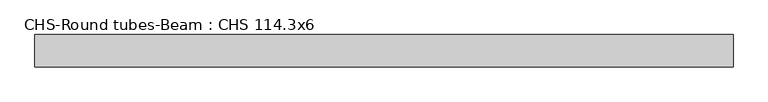
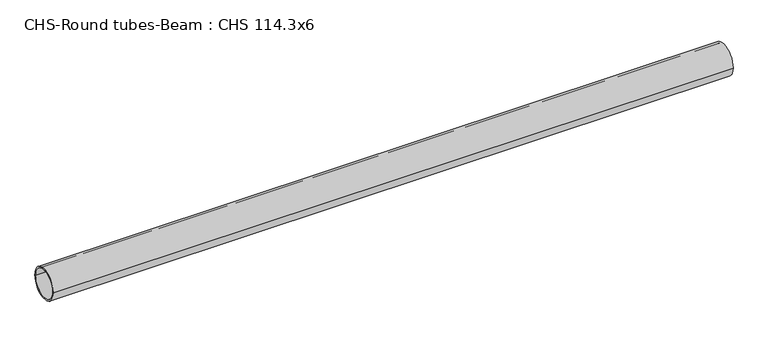
"""IFC4 building model written with IfcOpenShell, lengths in millimetres: beam geometry, CHS-Round tubes-Beam : CHS 114.3x6."""

from ifc_helpers import new_model, si_unit, point, frame, origin, origin_2d, place, context, project, spatial, circle_curve, trimmed, segment, composite_curve, outline, extrude, source, transform, mapped, element, save


def chs_round_tubes_beam_chs_114_3x6_374376e8(model_context):
    return source(origin(), model_context, "Body", "SweptSolid", [
        extrude(outline(composite_curve([segment(trimmed(circle_curve(origin_2d(), 57.15), [point((57.15, 0.0))], [point((-57.15, 0.0))], False, "CARTESIAN"), True, "CONTINUOUS"), segment(trimmed(circle_curve(origin_2d(), 57.15), [point((-57.15, 0.0))], [point((57.15, 0.0))], False, "CARTESIAN"), True, "CONTINUOUS")], self_intersect=False), holes=[composite_curve([segment(trimmed(circle_curve(origin_2d(), 51.15), [point((51.15, 0.0))], [point((-51.15, 0.0))], True, "CARTESIAN"), True, "CONTINUOUS"), segment(trimmed(circle_curve(origin_2d(), 51.15), [point((-51.15, 0.0))], [point((51.15, 0.0))], True, "CARTESIAN"), True, "CONTINUOUS")], self_intersect=False)]), frame((-1153.8159911, 0.0, 0.0), z_axis=(1.0, 0.0, 0.0), x_axis=(0.0, 1.0, 0.0)), (0.0, 0.0, 1.0), 2454.6712119),
    ])


if __name__ == "__main__":
    model = new_model("IFC4")
    model_context = context("Model", 3, world=origin())
    ifc_project = project(units=[si_unit("LENGTHUNIT", "METRE", prefix="MILLI")], contexts=[model_context])
    site = spatial("IfcSite", under=ifc_project)
    building = spatial("IfcBuilding", under=site)
    placement = place(None, origin())
    chs_round_tubes_beam_chs_114_3x6_shape = chs_round_tubes_beam_chs_114_3x6_374376e8(model_context)
    element("IfcBeam", 1, ObjectType="CHS-Round tubes-Beam : CHS 114.3x6", at=placement, inside=building, context=model_context, shape_type="MappedRepresentation", body=[
        mapped(chs_round_tubes_beam_chs_114_3x6_shape, transform((0.0, 0.0, 0.0), x_axis=(1.0, 0.0, 0.0), y_axis=(0.0, 1.0, 0.0), z_axis=(0.0, 0.0, 1.0))),
    ])
    save(model, "model.ifc")
